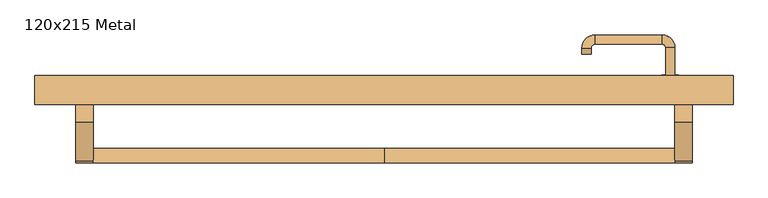
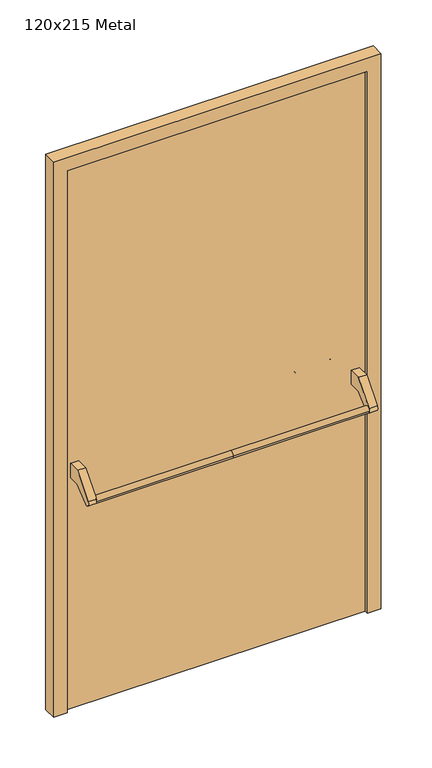
"""IFC4 building model written with IfcOpenShell, lengths in millimetres: door geometry, 120x215 Metal."""

import ifcopenshell
import ifcopenshell.guid

model = None  # the IFC model being written
_history = None  # IfcOwnerHistory: only IFC2X3 demands one
_inside = {}  # id of a spatial element -> (the spatial element, [elements in it])
_under = {}  # id of a project, library or spatial element -> (it, [spatial elements below it])
_declared = {}  # id of a project -> (the project, [libraries it declares])
_typed = {}  # id of a type object -> (the type object, [elements of that type])
_made_of = {}  # id of a material, layer set ... -> (it, [elements and type objects made of it])


def new_model(schema):
    """Start an empty IFC model of exactly this schema.

    Asked for "IFC4X3", IfcOpenShell would pick the latest addendum, in which some entities
    have other attributes; the version numbers below select the first issue.
    IFC2X3 requires an IfcOwnerHistory on every rooted entity: one is made here for all.
    """
    global model, _history
    if schema == "IFC4X3":
        model = ifcopenshell.file(schema_version=(4, 3, 0, 0))
    else:
        model = ifcopenshell.file(schema=schema)
    _inside.clear()
    _under.clear()
    _declared.clear()
    _typed.clear()
    _made_of.clear()
    _history = None
    if model.schema == "IFC2X3":
        org = make("IfcOrganization", Name="unknown")
        user = make(
            "IfcPersonAndOrganization",
            ThePerson=make("IfcPerson", FamilyName="unknown"),
            TheOrganization=org,
        )
        app = make(
            "IfcApplication",
            ApplicationDeveloper=org,
            Version="unknown",
            ApplicationFullName="unknown",
            ApplicationIdentifier="unknown",
        )
        _history = make(
            "IfcOwnerHistory",
            OwningUser=user,
            OwningApplication=app,
            ChangeAction="ADDED",
            CreationDate=0,
        )
    return model


def make(cls, **values):
    """One entity of the class cls with the attributes given. An attribute that is None is left unset."""
    return model.create_entity(
        cls, **{name: value for name, value in values.items() if value is not None}
    )


def rooted(cls, **values):
    """An entity with a GlobalId (a new one), such as an element, a storey or a relation."""
    return make(cls, GlobalId=ifcopenshell.guid.new(), OwnerHistory=_history, **values)


def si_unit(unit_type, name, prefix=None):
    """IfcSIUnit, for example si_unit("LENGTHUNIT", "METRE", prefix="MILLI")."""
    return make("IfcSIUnit", UnitType=unit_type, Prefix=prefix, Name=name)


def assignment(units):
    """IfcUnitAssignment: the units of a project."""
    return None if units is None else make("IfcUnitAssignment", Units=units)


def point(xyz):
    """IfcCartesianPoint."""
    return None if xyz is None else make("IfcCartesianPoint", Coordinates=xyz)


def direction(xyz):
    """IfcDirection."""
    return None if xyz is None else make("IfcDirection", DirectionRatios=xyz)


def frame(location, z_axis=None, x_axis=None):
    """IfcAxis2Placement3D, a coordinate frame: its origin and axes. An axis left out is left unset."""
    return make(
        "IfcAxis2Placement3D",
        Location=point(location),
        Axis=direction(z_axis),
        RefDirection=direction(x_axis),
    )


def frame_2d(location, x_axis=None):
    """IfcAxis2Placement2D, a coordinate frame in the plane: its origin and x axis."""
    return make(
        "IfcAxis2Placement2D", Location=point(location), RefDirection=direction(x_axis)
    )


def origin():
    """The frame at (0, 0, 0) with its axes left unset."""
    return frame((0.0, 0.0, 0.0))


def origin_with_axes():
    """The frame at (0, 0, 0) with the z axis (0, 0, 1) and the x axis (1, 0, 0) written out."""
    return frame((0.0, 0.0, 0.0), z_axis=(0.0, 0.0, 1.0), x_axis=(1.0, 0.0, 0.0))


def place(relative_to, where):
    """IfcLocalPlacement: puts the frame where relative to a parent placement (None: the world)."""
    return make(
        "IfcLocalPlacement", PlacementRelTo=relative_to, RelativePlacement=where
    )


def context(
    kind, dimensions, precision=None, world=None, true_north=None, identifier=None
):
    """IfcGeometricRepresentationContext, for example the 3D "Model" context."""
    return make(
        "IfcGeometricRepresentationContext",
        ContextIdentifier=identifier,
        ContextType=kind,
        CoordinateSpaceDimension=dimensions,
        Precision=precision,
        WorldCoordinateSystem=world,
        TrueNorth=true_north,
    )


def project(units=None, contexts=None):
    """IfcProject with its units and contexts."""
    return rooted(
        "IfcProject",
        Name="project",
        RepresentationContexts=contexts,
        UnitsInContext=assignment(units),
    )


def spatial(cls, under=None, at=None, **own):
    """A site, building, storey or space (cls), placed at a placement, below another one or the project."""
    s = rooted(cls, ObjectPlacement=at, **own)
    if under is not None:
        _under.setdefault(under.id(), (under, []))[1].append(s)
    return s


def polyline(points):
    """IfcPolyline through the points."""
    return make("IfcPolyline", Points=[point(p) for p in points])


def circle_curve(where, radius):
    """IfcCircle in the frame where."""
    return make("IfcCircle", Position=where, Radius=radius)


def ellipse_curve(where, semi_axis1, semi_axis2):
    """IfcEllipse in the frame where."""
    return make(
        "IfcEllipse", Position=where, SemiAxis1=semi_axis1, SemiAxis2=semi_axis2
    )


def trimmed(basis, trim1, trim2, sense, master):
    """IfcTrimmedCurve: the piece of a basis curve between two trims."""
    return make(
        "IfcTrimmedCurve",
        BasisCurve=basis,
        Trim1=trim1,
        Trim2=trim2,
        SenseAgreement=sense,
        MasterRepresentation=master,
    )


def segment(curve, same_sense, transition):
    """IfcCompositeCurveSegment."""
    return make(
        "IfcCompositeCurveSegment",
        Transition=transition,
        SameSense=same_sense,
        ParentCurve=curve,
    )


def composite_curve(segments, self_intersect=None):
    """IfcCompositeCurve: segments joined end to end."""
    return make("IfcCompositeCurve", Segments=segments, SelfIntersect=self_intersect)


def outline(outer, holes=None, kind="AREA"):
    """IfcArbitraryClosedProfileDef: a profile drawn as a closed curve; with holes, ...WithVoids."""
    if holes is None:
        return make("IfcArbitraryClosedProfileDef", ProfileType=kind, OuterCurve=outer)
    return make(
        "IfcArbitraryProfileDefWithVoids",
        ProfileType=kind,
        OuterCurve=outer,
        InnerCurves=holes,
    )


def extrude(swept, where, along, depth):
    """IfcExtrudedAreaSolid: the profile swept, set in the frame where, extruded along a direction by depth."""
    return make(
        "IfcExtrudedAreaSolid",
        SweptArea=swept,
        Position=where,
        ExtrudedDirection=direction(along),
        Depth=depth,
    )


def shape(context_of_items, identifier, shape_type, items):
    """IfcShapeRepresentation: the items that make up one representation, for example the "Body"."""
    return make(
        "IfcShapeRepresentation",
        ContextOfItems=context_of_items,
        RepresentationIdentifier=identifier,
        RepresentationType=shape_type,
        Items=items,
    )


def source(mapping_origin, context_of_items, identifier, shape_type, items):
    """IfcRepresentationMap: a shape defined once, which mapped items show again and again."""
    return make(
        "IfcRepresentationMap",
        MappingOrigin=mapping_origin,
        MappedRepresentation=shape(context_of_items, identifier, shape_type, items),
    )


def transform(
    local_origin,
    x_axis=None,
    y_axis=None,
    z_axis=None,
    scale=None,
    scale2=None,
    scale3=None,
    uniform=True,
):
    """IfcCartesianTransformationOperator3D, or its non-uniform kind. x_axis, y_axis, z_axis: its Axis1, 2, 3."""
    if uniform:
        return make(
            "IfcCartesianTransformationOperator3D",
            Axis1=direction(x_axis),
            Axis2=direction(y_axis),
            LocalOrigin=point(local_origin),
            Scale=scale,
            Axis3=direction(z_axis),
        )
    return make(
        "IfcCartesianTransformationOperator3DnonUniform",
        Axis1=direction(x_axis),
        Axis2=direction(y_axis),
        LocalOrigin=point(local_origin),
        Scale=scale,
        Axis3=direction(z_axis),
        Scale2=scale2,
        Scale3=scale3,
    )


def mapped(mapping_source, mapping_target):
    """IfcMappedItem: shows the shape of a source again, moved by a transform."""
    return make(
        "IfcMappedItem", MappingSource=mapping_source, MappingTarget=mapping_target
    )


def made_of(thing, what):
    """Note that an element or type object is made of a material, layer set ...; save() writes the relation."""
    if what is not None:
        _made_of.setdefault(what.id(), (what, []))[1].append(thing)
    return thing


def element(
    cls,
    number,
    at=None,
    inside=None,
    cuts=None,
    type_object=None,
    material=None,
    context=None,
    identifier="Body",
    shape_type=None,
    held_by="IfcProductDefinitionShape",
    body=None,
    shapes=None,
    **own,
):
    """One element of the class cls, such as IfcWall. Its Tag is "e" and its number.

    at: its placement. inside: the storey or other place that contains it. cuts: it is an
    opening in that element (IfcRelVoidsElement). A single representation is given by context,
    identifier, shape_type and body (its items); several are given by shapes. held_by: the class
    of the entity that holds the representations. save() writes the other relations.
    """
    e = rooted(cls, Tag="e%d" % number, ObjectPlacement=at, **own)
    if body is not None:
        shapes = [shape(context, identifier, shape_type, body)]
    if shapes is not None:
        e.Representation = make(held_by, Representations=shapes)
    if inside is not None:
        _inside.setdefault(inside.id(), (inside, []))[1].append(e)
    if cuts is not None:
        rooted(
            "IfcRelVoidsElement", RelatingBuildingElement=cuts, RelatedOpeningElement=e
        )
    if type_object is not None:
        _typed.setdefault(type_object.id(), (type_object, []))[1].append(e)
    return made_of(e, material)


def aggregate(whole, parts):
    """IfcRelAggregates: a whole, such as a stair, and the parts it consists of."""
    return rooted("IfcRelAggregates", RelatingObject=whole, RelatedObjects=parts)


def save(model, path):
    """Write the relations noted so far, then the file.

    IfcRelAggregates (storeys below a building ...), IfcRelContainedInSpatialStructure (elements
    in a storey), IfcRelDefinesByType, IfcRelAssociatesMaterial and IfcRelDeclares: one each for
    every whole, place, type object, material and project.
    """
    for whole, parts in _under.values():
        aggregate(whole, parts)
    for where, things in _inside.values():
        rooted(
            "IfcRelContainedInSpatialStructure",
            RelatedElements=things,
            RelatingStructure=where,
        )
    for kind, things in _typed.values():
        rooted("IfcRelDefinesByType", RelatedObjects=things, RelatingType=kind)
    for what, things in _made_of.values():
        rooted("IfcRelAssociatesMaterial", RelatedObjects=things, RelatingMaterial=what)
    for by, libraries in _declared.values():
        rooted("IfcRelDeclares", RelatingContext=by, RelatedDefinitions=libraries)
    model.write(path)


def plane_surface(at):
    """IfcPlane: the flat surface through the origin of the frame at, square to its z axis."""
    return make("IfcPlane", Position=at)


def cylinder_surface(at, radius):
    """IfcCylindricalSurface: all points at the distance radius from the z axis of the frame at."""
    return make("IfcCylindricalSurface", Position=at, Radius=radius)


def revolved_surface(curve, axis_point, axis_direction):
    """IfcSurfaceOfRevolution: the curve turned about the line through axis_point along axis_direction."""
    return make(
        "IfcSurfaceOfRevolution",
        SweptCurve=make("IfcArbitraryOpenProfileDef", ProfileType="CURVE", Curve=curve),
        AxisPosition=make("IfcAxis1Placement", Location=point(axis_point), Axis=direction(axis_direction)),
    )


def advanced_brep(points, edges, surfaces, faces):
    """IfcAdvancedBrep: a solid bounded by faces that lie on surfaces and meet in shared edges.

    An edge is (start, end): straight between two places in points (the first is 0);
    or (start, end, curve); or (start, end, curve, False) where it runs against its curve.
    A face is (place in surfaces, loops), or (place, loops, False) where it looks against
    its surface's normal. A loop lists edges by number (the first is 1), with a minus sign
    where the edge is run from its end to its start. The first loop is the outer one.
    """
    corners = [point(p) for p in points]
    vertices = [make("IfcVertexPoint", VertexGeometry=c) for c in corners]
    made = []
    for start, end, *more in edges:
        made.append(
            make(
                "IfcEdgeCurve",
                EdgeStart=vertices[start],
                EdgeEnd=vertices[end],
                EdgeGeometry=more[0] if more else make("IfcPolyline", Points=[corners[start], corners[end]]),
                SameSense=more[1] if len(more) > 1 else True,
            )
        )
    hull = []
    for where, loops, *sense in faces:
        bounds = []
        for j, loop in enumerate(loops):
            ring = [make("IfcOrientedEdge", EdgeElement=made[abs(k) - 1], Orientation=k > 0) for k in loop]
            bounds.append(
                make(
                    "IfcFaceOuterBound" if j == 0 else "IfcFaceBound",
                    Bound=make("IfcEdgeLoop", EdgeList=ring),
                    Orientation=True,
                )
            )
        hull.append(make("IfcAdvancedFace", Bounds=bounds, FaceSurface=surfaces[where], SameSense=sense[0] if sense else True))
    return make("IfcAdvancedBrep", Outer=make("IfcClosedShell", CfsFaces=hull))


def door_120x215_metal_db6da97a(model_context):
    return source(origin(), model_context, "Body", "SolidModel", [
        advanced_brep(
        [(-500.0, -65.4171435, 861.5304884), (-500.0, -90.4171435, 861.5304884), (0.0, -65.4171435, 861.5304884), (0.0, -90.4171435, 861.5304884), (500.0, -65.4171435, 861.5304884), (500.0, -90.4171435, 861.5304884)],
        [
            (0, 1, circle_curve(frame((-500.0, -77.9171435, 861.5304884), z_axis=(-1.0, 0.0, 0.0), x_axis=(0.0, -1.0, 0.0)), 12.5)),
            (1, 0, circle_curve(frame((-500.0, -77.9171435, 861.5304884), z_axis=(-1.0, 0.0, 0.0), x_axis=(0.0, -1.0, 0.0)), 12.5)),
            (0, 2),
            (2, 3, circle_curve(frame((0.0, -77.9171435, 861.5304884), z_axis=(-1.0, 0.0, 0.0), x_axis=(0.0, -1.0, 0.0)), 12.5)),
            (3, 1),
            (3, 2, circle_curve(frame((0.0, -77.9171435, 861.5304884), z_axis=(-1.0, 0.0, 0.0), x_axis=(0.0, -1.0, 0.0)), 12.5)),
            (4, 5, circle_curve(frame((500.0, -77.9171435, 861.5304884), z_axis=(1.0, 0.0, 0.0), x_axis=(0.0, -1.0, 0.0)), 12.5)),
            (5, 4, circle_curve(frame((500.0, -77.9171435, 861.5304884), z_axis=(1.0, 0.0, 0.0), x_axis=(0.0, -1.0, 0.0)), 12.5)),
            (5, 3),
            (2, 4),
        ],
        [
            plane_surface(frame((-500.0, -90.4171435, 861.5304884), z_axis=(-1.0, 0.0, 0.0), x_axis=(0.0, 0.0, -1.0))),
            cylinder_surface(frame((-500.0, -77.9171435, 861.5304884), z_axis=(1.0, 0.0, 0.0), x_axis=(0.0, -1.0, 0.0)), 12.5),
            plane_surface(frame((500.0, -90.4171435, 861.5304884), z_axis=(1.0, 0.0, 0.0), x_axis=(0.0, 0.0, 1.0))),
            cylinder_surface(frame((0.0, -77.9171435, 861.5304884), z_axis=(1.0, 0.0, 0.0), x_axis=(0.0, -1.0, 0.0)), 12.5),
        ],
        [
            (0, [[1, 2]]),
            (1, [[3, 4, 5, -1]]),
            (1, [[-5, 6, -3, -2]]),
            (2, [[7, 8]]),
            (3, [[9, -4, 10, -8]]),
            (3, [[-10, -6, -9, -7]]),
        ],
    ),
        extrude(outline(composite_curve([segment(polyline([(-20.0, 950.0), (25.0, 950.0), (25.0, 895.2768379), (-18.5486991, 895.2768379), (-68.3415879, 853.4956432)]), True, "CONTINUOUS"), segment(trimmed(circle_curve(frame_2d((-77.9171435, 861.5304884)), 12.5), [point((-68.3415879, 853.4956432))], [point((-87.492699, 869.5653335))], False, "CARTESIAN"), True, "CONTINUOUS"), segment(polyline([(-87.492699, 869.5653335), (-20.0, 950.0)]), True, "CONTINUOUS")], self_intersect=False)), frame((-530.0, 0.0, 0.0), z_axis=(1.0, 0.0, 0.0), x_axis=(0.0, 1.0, 0.0)), (0.0, 0.0, 1.0), 30.0),
        extrude(outline(composite_curve([segment(polyline([(-20.0, 950.0), (25.0, 950.0), (25.0, 895.2768379), (-18.5486991, 895.2768379), (-68.3415879, 853.4956432)]), True, "CONTINUOUS"), segment(trimmed(circle_curve(frame_2d((-77.9171435, 861.5304884)), 12.5), [point((-68.3415879, 853.4956432))], [point((-87.492699, 869.5653335))], False, "CARTESIAN"), True, "CONTINUOUS"), segment(polyline([(-87.492699, 869.5653335), (-20.0, 950.0)]), True, "CONTINUOUS")], self_intersect=False)), frame((500.0, 0.0, 0.0), z_axis=(1.0, 0.0, 0.0), x_axis=(0.0, 1.0, 0.0)), (0.0, 0.0, 1.0), 30.0),
        extrude(outline(composite_curve([segment(trimmed(circle_curve(frame_2d((0.0, -15.0)), 15.0), [point((0.0, -30.0))], [point((0.0, 0.0))], False, "CARTESIAN"), True, "CONTINUOUS"), segment(trimmed(circle_curve(frame_2d((0.0, -15.0)), 15.0), [point((0.0, 0.0))], [point((0.0, -30.0))], False, "CARTESIAN"), True, "CONTINUOUS")], self_intersect=False), holes=[composite_curve([segment(trimmed(circle_curve(frame_2d((4.7772515, -14.9398032)), 2.0), [point((4.7772515, -16.9398032))], [point((4.7772515, -12.9398032))], True, "CARTESIAN"), True, "CONTINUOUS"), segment(polyline([(4.7772515, -12.9398032), (-5.2227485, -12.9398032)]), True, "CONTINUOUS"), segment(trimmed(circle_curve(frame_2d((-5.2227485, -14.9398032)), 2.0), [point((-5.2227485, -12.9398032))], [point((-5.2227485, -16.9398032))], True, "CARTESIAN"), True, "CONTINUOUS"), segment(polyline([(-5.2227485, -16.9398032), (4.7772515, -16.9398032)]), True, "CONTINUOUS")], self_intersect=False)]), frame((477.0, 55.0, 897.3605726), z_axis=(1.8870575173328306e-12, 1.0, 0.0), x_axis=(0.0, 0.0, -1.0)), (0.0, 0.0, 1.0), 6.35),
        extrude(outline(composite_curve([segment(trimmed(circle_curve(frame_2d((0.0, -17.526)), 17.526), [point((0.0, -35.052))], [point((0.0, 0.0))], False, "CARTESIAN"), True, "CONTINUOUS"), segment(trimmed(circle_curve(frame_2d((0.0, -17.526)), 17.526), [point((0.0, 0.0))], [point((0.0, -35.052))], False, "CARTESIAN"), True, "CONTINUOUS")], self_intersect=False)), frame((474.474, 55.0, 950.0), z_axis=(1.8870575173328306e-12, 1.0, 0.0), x_axis=(0.0, 0.0, -1.0)), (0.0, 0.0, 1.0), 3.175),
        advanced_brep(
        [(500.0, 55.0, 950.0), (484.0, 55.0, 950.0), (500.0, 108.0, 950.0), (484.0, 108.0, 950.0), (477.8578644, 114.1421356, 950.0), (477.8578644, 130.1421356, 950.0), (362.8578644, 130.1421356, 950.0), (362.8578644, 114.1421356, 950.0), (356.008622, 107.2928932, 950.0), (340.008622, 107.2928932, 950.0), (340.008622, 97.2928932, 950.0), (356.008622, 97.2928932, 950.0)],
        [
            (0, 1, circle_curve(frame((492.0, 55.0, 950.0), z_axis=(-1.888672253512351e-12, -1.0, 0.0), x_axis=(-1.0, 1.888672253512351e-12, 0.0)), 8.0)),
            (1, 0, circle_curve(frame((492.0, 55.0, 950.0), z_axis=(-1.888672253512351e-12, -1.0, 0.0), x_axis=(-1.0, 1.888672253512351e-12, 0.0)), 8.0)),
            (0, 2),
            (2, 3, circle_curve(frame((492.0, 108.0, 950.0), z_axis=(-1.888672253512351e-12, -1.0, 0.0), x_axis=(-1.0, 1.888672253512351e-12, 0.0)), 8.0)),
            (3, 1),
            (3, 2, circle_curve(frame((492.0, 108.0, 950.0), z_axis=(-1.888672253512351e-12, -1.0, 0.0), x_axis=(-1.0, 1.888672253512351e-12, 0.0)), 8.0)),
            (4, 3, circle_curve(frame((477.8578644, 108.0, 950.0), z_axis=(0.0, 0.0, -1.0), x_axis=(1.0, -1.880717803715015e-12, 0.0)), 6.1421356)),
            (2, 5, circle_curve(frame((477.8578644, 108.0, 950.0), z_axis=(0.0, 0.0, 1.0), x_axis=(1.0, -1.880717803715015e-12, 0.0)), 22.1421356)),
            (5, 4, circle_curve(frame((477.8578644, 122.1421356, 950.0), z_axis=(1.0, -1.913702061528922e-12, 0.0), x_axis=(-1.913702061528922e-12, -1.0, 0.0)), 8.0)),
            (4, 5, circle_curve(frame((477.8578644, 122.1421356, 950.0), z_axis=(1.0, -1.913702061528922e-12, 0.0), x_axis=(-1.913702061528922e-12, -1.0, 0.0)), 8.0)),
            (5, 6),
            (6, 7, circle_curve(frame((362.8578644, 122.1421356, 950.0), z_axis=(1.0, -1.913719828541269e-12, 0.0), x_axis=(-1.913719828541269e-12, -1.0, 0.0)), 8.0)),
            (7, 4),
            (7, 6, circle_curve(frame((362.8578644, 122.1421356, 950.0), z_axis=(1.0, -1.913719828541269e-12, 0.0), x_axis=(-1.913719828541269e-12, -1.0, 0.0)), 8.0)),
            (8, 7, circle_curve(frame((362.8578644, 107.2928932, 950.0), z_axis=(0.0, 0.0, -1.0), x_axis=(1.9120873253494017e-12, 1.0, 0.0)), 6.8492424)),
            (6, 9, circle_curve(frame((362.8578644, 107.2928932, 950.0), z_axis=(0.0, 0.0, 1.0), x_axis=(1.9120873253494017e-12, 1.0, 0.0)), 22.8492424)),
            (9, 8, circle_curve(frame((348.008622, 107.2928932, 950.0), z_axis=(1.890670654956676e-12, 1.0, 0.0), x_axis=(1.0, -1.890670654956676e-12, 0.0)), 8.0)),
            (8, 9, circle_curve(frame((348.008622, 107.2928932, 950.0), z_axis=(1.890226565746826e-12, 1.0, 0.0), x_axis=(1.0, -1.890226565746826e-12, 0.0)), 8.0)),
            (10, 11, circle_curve(frame((348.008622, 97.2928932, 950.0), z_axis=(-1.8903642334018795e-12, -1.0, 0.0), x_axis=(1.0, -1.8903642334018795e-12, 0.0)), 8.0)),
            (11, 10, circle_curve(frame((348.008622, 97.2928932, 950.0), z_axis=(-1.8903642334018795e-12, -1.0, 0.0), x_axis=(1.0, -1.8903642334018795e-12, 0.0)), 8.0)),
            (9, 10),
            (11, 8),
        ],
        [
            plane_surface(frame((492.0, 55.0, 170.0), z_axis=(-1.8870575173328306e-12, -1.0, 0.0), x_axis=(0.0, 0.0, 1.0))),
            cylinder_surface(frame((492.0, 55.0, 950.0), z_axis=(-1.888672253512351e-12, -1.0, 0.0), x_axis=(-1.0, 1.888672253512351e-12, 0.0)), 8.0),
            revolved_surface(trimmed(ellipse_curve(frame((492.0, 108.0, 950.0), z_axis=(-1.8823325398945356e-12, -1.0, 0.0), x_axis=(-1.0, 1.8823325398945356e-12, 0.0)), 8.0, 8.0), [point((500.0, 108.0, 950.0))], [point((484.0, 108.0, 950.0))], True, "CARTESIAN"), (477.8578644, 108.0, 170.0), (0.0, 0.0, 1.0)),
            revolved_surface(trimmed(ellipse_curve(frame((492.0, 108.0, 950.0), z_axis=(-1.8823325398945356e-12, -1.0, 0.0), x_axis=(-1.0, 1.8823325398945356e-12, 0.0)), 8.0, 8.0), [point((484.0, 108.0, 950.0))], [point((500.0, 108.0, 950.0))], True, "CARTESIAN"), (477.8578644, 108.0, 170.0), (0.0, 0.0, 1.0)),
            cylinder_surface(frame((477.8578644, 122.1421356, 950.0), z_axis=(1.0, -1.913719828541269e-12, 0.0), x_axis=(-1.913719828541269e-12, -1.0, 0.0)), 8.0),
            revolved_surface(trimmed(ellipse_curve(frame((362.8578644, 122.1421356, 950.0), z_axis=(1.0, -1.913702061528922e-12, 0.0), x_axis=(-1.913702061528922e-12, -1.0, 0.0)), 8.0, 8.0), [point((362.8578644, 130.1421356, 950.0))], [point((362.8578644, 114.1421356, 950.0))], True, "CARTESIAN"), (362.8578644, 107.2928932, 170.0), (0.0, 0.0, 1.0)),
            revolved_surface(trimmed(ellipse_curve(frame((362.8578644, 122.1421356, 950.0), z_axis=(1.0, -1.913702061528922e-12, 0.0), x_axis=(-1.913702061528922e-12, -1.0, 0.0)), 8.0, 8.0), [point((362.8578644, 114.1421356, 950.0))], [point((362.8578644, 130.1421356, 950.0))], True, "CARTESIAN"), (362.8578644, 107.2928932, 170.0), (0.0, 0.0, 1.0)),
            plane_surface(frame((348.008622, 97.2928932, 170.0), z_axis=(-1.8887494972223595e-12, -1.0, 0.0), x_axis=(0.0, 0.0, 1.0))),
            cylinder_surface(frame((348.008622, 107.2928932, 950.0), z_axis=(1.8903642334018795e-12, 1.0, 0.0), x_axis=(1.0, -1.8903642334018795e-12, 0.0)), 8.0),
        ],
        [
            (0, [[1, 2]]),
            (1, [[-1, 3, 4, 5]]),
            (1, [[-2, -5, 6, -3]]),
            (2, [[7, -4, 8, 9]]),
            (3, [[-8, -6, -7, 10]]),
            (4, [[-9, 11, 12, 13]]),
            (4, [[-10, -13, 14, -11]]),
            (5, [[15, -12, 16, 17]]),
            (6, [[-16, -14, -15, 18]]),
            (7, [[19, 20]]),
            (8, [[-17, 21, -20, 22]]),
            (8, [[-18, -22, -19, -21]]),
        ],
    ),
        extrude(outline(polyline([(2100.0, 550.0), (0.0, 550.0), (0.0, 600.0), (2150.0, 600.0), (2150.0, -600.0), (0.0, -600.0), (0.0, -550.0), (2100.0, -550.0), (2100.0, 550.0)])), frame((0.0, 10.0, 0.0), z_axis=(0.0, 1.0, 0.0), x_axis=(0.0, 0.0, 1.0)), (0.0, 0.0, 1.0), 50.0),
        extrude(outline(polyline([(-550.0, 55.0), (550.0, 55.0), (550.0, 25.0), (-550.0, 25.0), (-550.0, 55.0)])), origin_with_axes(), (0.0, 0.0, 1.0), 2100.0),
    ])


if __name__ == "__main__":
    model = new_model("IFC4")
    model_context = context("Model", 3, world=origin())
    ifc_project = project(units=[si_unit("LENGTHUNIT", "METRE", prefix="MILLI")], contexts=[model_context])
    site = spatial("IfcSite", under=ifc_project)
    building = spatial("IfcBuilding", under=site)
    placement = place(None, origin())
    door_120x215_metal_shape = door_120x215_metal_db6da97a(model_context)
    element("IfcDoor", 1, ObjectType="120x215 Metal", at=placement, inside=building, context=model_context, shape_type="MappedRepresentation", body=[
        mapped(door_120x215_metal_shape, transform((0.0, 0.0, 0.0), x_axis=(1.0, 0.0, 0.0), y_axis=(0.0, 1.0, 0.0), z_axis=(0.0, 0.0, 1.0))),
    ])
    save(model, "model.ifc")
